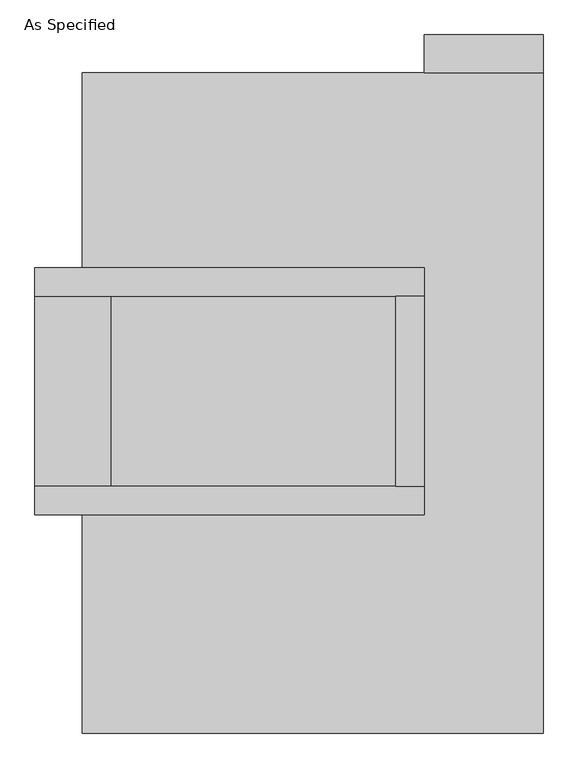
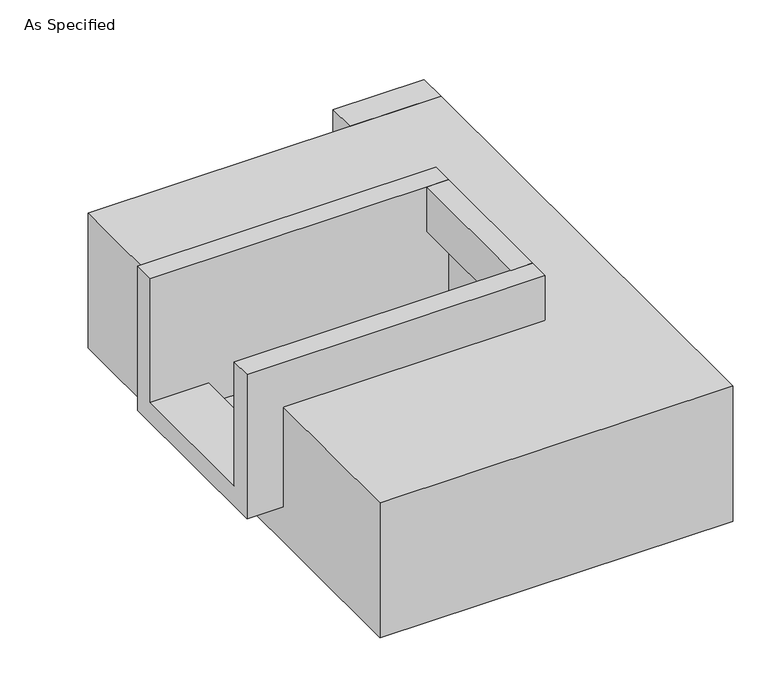
"""IFC4 building model written with IfcOpenShell, lengths in millimetres: proxy geometry, As Specified."""

from ifc_helpers import new_model, si_unit, frame, origin, place, context, project, spatial, polyline, outline, extrude, faceted_brep, source, transform, mapped, element, save


def as_specified_0ab2df38(model_context):
    return source(origin(), model_context, "Body", "SolidModel", [
        extrude(outline(polyline([(692.15, 882.65), (374.65, 882.65), (374.65, 984.25), (692.15, 984.25), (692.15, 882.65)])), frame((0.0, 0.0, -523.9742188), z_axis=(0.0, 0.0, 1.0), x_axis=(1.0, 0.0, 0.0)), (0.0, 0.0, 1.0), 498.5742187),
        extrude(outline(polyline([(298.45, 285.75), (374.65, 285.75), (374.65, -222.25), (298.45, -222.25), (298.45, 285.75)])), frame((0.0, 0.0, -25.4), z_axis=(0.0, 0.0, 1.0), x_axis=(1.0, 0.0, 0.0)), (0.0, 0.0, 1.0), 165.1),
        faceted_brep([(374.65, 285.75, 139.7), (374.65, 285.75, -317.5), (374.65, -222.25, -317.5), (374.65, -222.25, 139.7), (374.65, -298.45, 139.7), (374.65, -298.45, -393.7), (374.65, 361.95, -393.7), (374.65, 361.95, 139.7), (-666.75, 285.75, 139.7), (-666.75, 361.95, 139.7), (-666.75, 361.95, -393.7), (-666.75, -298.45, -393.7), (-666.75, -298.45, 139.7), (-666.75, -222.25, 139.7), (-666.75, -222.25, -317.5), (-666.75, 285.75, -317.5), (-463.55, 285.75, -393.7), (-463.55, -222.25, -393.7), (298.45, -222.25, -393.7), (298.45, 285.75, -393.7), (298.45, -222.25, -317.5), (-463.55, -222.25, -317.5), (298.45, 285.75, -317.5), (-463.55, 285.75, -317.5)], [[[0, 1, 2, 3, 4, 5, 6, 7]], [[8, 9, 10, 11, 12, 13, 14, 15]], [[0, 7, 9, 8]], [[7, 6, 10, 9]], [[6, 5, 11, 10], [16, 17, 18, 19]], [[4, 3, 13, 12]], [[3, 2, 20, 18, 17, 21, 14, 13]], [[2, 1, 22, 20]], [[15, 14, 21, 23]], [[1, 0, 8, 15, 23, 16, 19, 22]], [[21, 17, 16, 23]], [[18, 20, 22, 19]], [[5, 4, 12, 11]]]),
        faceted_brep([(692.15, 882.65, -523.9742188), (692.15, -882.65, -523.9742188), (-539.75, -882.65, -523.9742188), (-539.75, 882.65, -523.9742188), (-539.75, 882.65, -25.4), (-539.75, 361.95, -25.4), (374.65, 361.95, -25.4), (374.65, -298.45, -25.4), (-539.75, -298.45, -25.4), (-539.75, -882.65, -25.4), (692.15, -882.65, -25.4), (692.15, 882.65, -25.4), (-539.75, -298.45, -393.7), (-539.75, 361.95, -393.7), (374.65, 361.95, -393.7), (374.65, -298.45, -393.7)], [[[0, 1, 2, 3]], [[4, 5, 6, 7, 8, 9, 10, 11]], [[0, 3, 4, 11]], [[4, 3, 2, 9, 8, 12, 13, 5]], [[2, 1, 10, 9]], [[14, 15, 7, 6]], [[13, 14, 6, 5]], [[15, 14, 13, 12]], [[15, 12, 8, 7]], [[1, 0, 11, 10]]]),
    ])


if __name__ == "__main__":
    model = new_model("IFC4")
    model_context = context("Model", 3, world=origin())
    ifc_project = project(units=[si_unit("LENGTHUNIT", "METRE", prefix="MILLI")], contexts=[model_context])
    site = spatial("IfcSite", under=ifc_project)
    building = spatial("IfcBuilding", under=site)
    placement = place(None, origin())
    as_specified_shape = as_specified_0ab2df38(model_context)
    element("IfcBuildingElementProxy", 1, Name="As Specified", ObjectType="As Specified", at=placement, inside=building, context=model_context, shape_type="MappedRepresentation", body=[
        mapped(as_specified_shape, transform((0.0, 0.0, 0.0), x_axis=(1.0, 0.0, 0.0), y_axis=(0.0, 1.0, 0.0), z_axis=(0.0, 0.0, 1.0))),
    ])
    save(model, "model.ifc")
